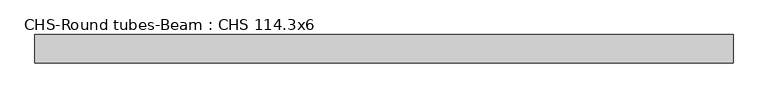
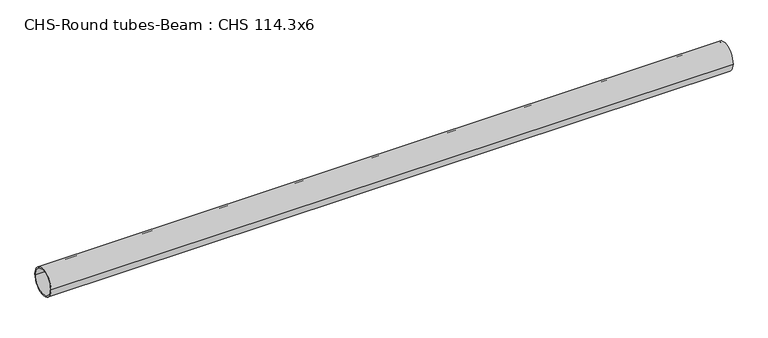
"""IFC4 building model written with IfcOpenShell, lengths in millimetres: beam geometry, CHS-Round tubes-Beam : CHS 114.3x6."""

from ifc_helpers import new_model, si_unit, point, frame, origin, origin_2d, place, context, project, spatial, circle_curve, trimmed, segment, composite_curve, outline, extrude, source, transform, mapped, element, save


def chs_round_tubes_beam_chs_114_3x6_0bf276fe(model_context):
    return source(origin(), model_context, "Body", "SweptSolid", [
        extrude(outline(composite_curve([segment(trimmed(circle_curve(origin_2d(), 57.15), [point((57.15, 0.0))], [point((-57.15, 0.0))], False, "CARTESIAN"), True, "CONTINUOUS"), segment(trimmed(circle_curve(origin_2d(), 57.15), [point((-57.15, 0.0))], [point((57.15, 0.0))], False, "CARTESIAN"), True, "CONTINUOUS")], self_intersect=False), holes=[composite_curve([segment(trimmed(circle_curve(origin_2d(), 51.15), [point((51.15, 0.0))], [point((-51.15, 0.0))], True, "CARTESIAN"), True, "CONTINUOUS"), segment(trimmed(circle_curve(origin_2d(), 51.15), [point((-51.15, 0.0))], [point((51.15, 0.0))], True, "CARTESIAN"), True, "CONTINUOUS")], self_intersect=False)]), frame((-1392.128829, 0.0, 0.0), z_axis=(1.0, 0.0, 0.0), x_axis=(0.0, 1.0, 0.0)), (0.0, 0.0, 1.0), 2802.4126542),
    ])


if __name__ == "__main__":
    model = new_model("IFC4")
    model_context = context("Model", 3, world=origin())
    ifc_project = project(units=[si_unit("LENGTHUNIT", "METRE", prefix="MILLI")], contexts=[model_context])
    site = spatial("IfcSite", under=ifc_project)
    building = spatial("IfcBuilding", under=site)
    placement = place(None, origin())
    chs_round_tubes_beam_chs_114_3x6_shape = chs_round_tubes_beam_chs_114_3x6_0bf276fe(model_context)
    element("IfcBeam", 1, ObjectType="CHS-Round tubes-Beam : CHS 114.3x6", at=placement, inside=building, context=model_context, shape_type="MappedRepresentation", body=[
        mapped(chs_round_tubes_beam_chs_114_3x6_shape, transform((0.0, 0.0, 0.0), x_axis=(1.0, 0.0, 0.0), y_axis=(0.0, 1.0, 0.0), z_axis=(0.0, 0.0, 1.0))),
    ])
    save(model, "model.ifc")
